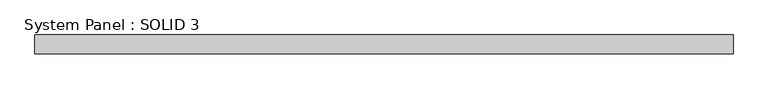
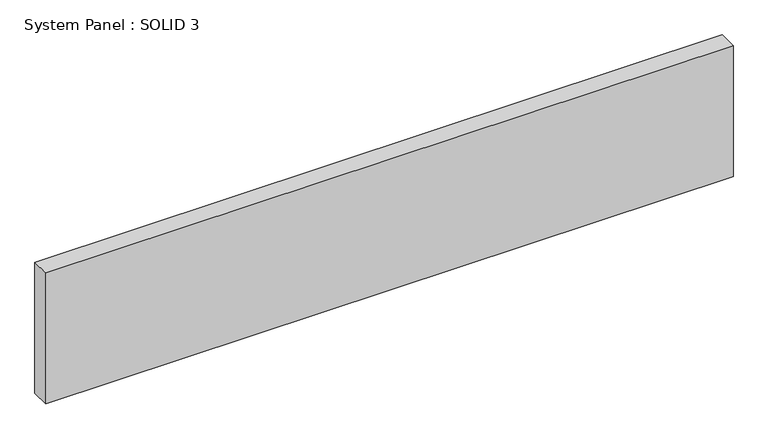
"""IFC4 building model written with IfcOpenShell, lengths in millimetres: plate geometry, System Panel : SOLID 3."""

import ifcopenshell
import ifcopenshell.guid

model = None  # the IFC model being written
_history = None  # IfcOwnerHistory: only IFC2X3 demands one
_inside = {}  # id of a spatial element -> (the spatial element, [elements in it])
_under = {}  # id of a project, library or spatial element -> (it, [spatial elements below it])
_declared = {}  # id of a project -> (the project, [libraries it declares])
_typed = {}  # id of a type object -> (the type object, [elements of that type])
_made_of = {}  # id of a material, layer set ... -> (it, [elements and type objects made of it])


def new_model(schema):
    """Start an empty IFC model of exactly this schema.

    Asked for "IFC4X3", IfcOpenShell would pick the latest addendum, in which some entities
    have other attributes; the version numbers below select the first issue.
    IFC2X3 requires an IfcOwnerHistory on every rooted entity: one is made here for all.
    """
    global model, _history
    if schema == "IFC4X3":
        model = ifcopenshell.file(schema_version=(4, 3, 0, 0))
    else:
        model = ifcopenshell.file(schema=schema)
    _inside.clear()
    _under.clear()
    _declared.clear()
    _typed.clear()
    _made_of.clear()
    _history = None
    if model.schema == "IFC2X3":
        org = make("IfcOrganization", Name="unknown")
        user = make(
            "IfcPersonAndOrganization",
            ThePerson=make("IfcPerson", FamilyName="unknown"),
            TheOrganization=org,
        )
        app = make(
            "IfcApplication",
            ApplicationDeveloper=org,
            Version="unknown",
            ApplicationFullName="unknown",
            ApplicationIdentifier="unknown",
        )
        _history = make(
            "IfcOwnerHistory",
            OwningUser=user,
            OwningApplication=app,
            ChangeAction="ADDED",
            CreationDate=0,
        )
    return model


def make(cls, **values):
    """One entity of the class cls with the attributes given. An attribute that is None is left unset."""
    return model.create_entity(
        cls, **{name: value for name, value in values.items() if value is not None}
    )


def rooted(cls, **values):
    """An entity with a GlobalId (a new one), such as an element, a storey or a relation."""
    return make(cls, GlobalId=ifcopenshell.guid.new(), OwnerHistory=_history, **values)


def si_unit(unit_type, name, prefix=None):
    """IfcSIUnit, for example si_unit("LENGTHUNIT", "METRE", prefix="MILLI")."""
    return make("IfcSIUnit", UnitType=unit_type, Prefix=prefix, Name=name)


def assignment(units):
    """IfcUnitAssignment: the units of a project."""
    return None if units is None else make("IfcUnitAssignment", Units=units)


def point(xyz):
    """IfcCartesianPoint."""
    return None if xyz is None else make("IfcCartesianPoint", Coordinates=xyz)


def direction(xyz):
    """IfcDirection."""
    return None if xyz is None else make("IfcDirection", DirectionRatios=xyz)


def frame(location, z_axis=None, x_axis=None):
    """IfcAxis2Placement3D, a coordinate frame: its origin and axes. An axis left out is left unset."""
    return make(
        "IfcAxis2Placement3D",
        Location=point(location),
        Axis=direction(z_axis),
        RefDirection=direction(x_axis),
    )


def origin():
    """The frame at (0, 0, 0) with its axes left unset."""
    return frame((0.0, 0.0, 0.0))


def origin_with_axes():
    """The frame at (0, 0, 0) with the z axis (0, 0, 1) and the x axis (1, 0, 0) written out."""
    return frame((0.0, 0.0, 0.0), z_axis=(0.0, 0.0, 1.0), x_axis=(1.0, 0.0, 0.0))


def place(relative_to, where):
    """IfcLocalPlacement: puts the frame where relative to a parent placement (None: the world)."""
    return make(
        "IfcLocalPlacement", PlacementRelTo=relative_to, RelativePlacement=where
    )


def context(
    kind, dimensions, precision=None, world=None, true_north=None, identifier=None
):
    """IfcGeometricRepresentationContext, for example the 3D "Model" context."""
    return make(
        "IfcGeometricRepresentationContext",
        ContextIdentifier=identifier,
        ContextType=kind,
        CoordinateSpaceDimension=dimensions,
        Precision=precision,
        WorldCoordinateSystem=world,
        TrueNorth=true_north,
    )


def project(units=None, contexts=None):
    """IfcProject with its units and contexts."""
    return rooted(
        "IfcProject",
        Name="project",
        RepresentationContexts=contexts,
        UnitsInContext=assignment(units),
    )


def spatial(cls, under=None, at=None, **own):
    """A site, building, storey or space (cls), placed at a placement, below another one or the project."""
    s = rooted(cls, ObjectPlacement=at, **own)
    if under is not None:
        _under.setdefault(under.id(), (under, []))[1].append(s)
    return s


def polyline(points):
    """IfcPolyline through the points."""
    return make("IfcPolyline", Points=[point(p) for p in points])


def outline(outer, holes=None, kind="AREA"):
    """IfcArbitraryClosedProfileDef: a profile drawn as a closed curve; with holes, ...WithVoids."""
    if holes is None:
        return make("IfcArbitraryClosedProfileDef", ProfileType=kind, OuterCurve=outer)
    return make(
        "IfcArbitraryProfileDefWithVoids",
        ProfileType=kind,
        OuterCurve=outer,
        InnerCurves=holes,
    )


def extrude(swept, where, along, depth):
    """IfcExtrudedAreaSolid: the profile swept, set in the frame where, extruded along a direction by depth."""
    return make(
        "IfcExtrudedAreaSolid",
        SweptArea=swept,
        Position=where,
        ExtrudedDirection=direction(along),
        Depth=depth,
    )


def shape(context_of_items, identifier, shape_type, items):
    """IfcShapeRepresentation: the items that make up one representation, for example the "Body"."""
    return make(
        "IfcShapeRepresentation",
        ContextOfItems=context_of_items,
        RepresentationIdentifier=identifier,
        RepresentationType=shape_type,
        Items=items,
    )


def source(mapping_origin, context_of_items, identifier, shape_type, items):
    """IfcRepresentationMap: a shape defined once, which mapped items show again and again."""
    return make(
        "IfcRepresentationMap",
        MappingOrigin=mapping_origin,
        MappedRepresentation=shape(context_of_items, identifier, shape_type, items),
    )


def transform(
    local_origin,
    x_axis=None,
    y_axis=None,
    z_axis=None,
    scale=None,
    scale2=None,
    scale3=None,
    uniform=True,
):
    """IfcCartesianTransformationOperator3D, or its non-uniform kind. x_axis, y_axis, z_axis: its Axis1, 2, 3."""
    if uniform:
        return make(
            "IfcCartesianTransformationOperator3D",
            Axis1=direction(x_axis),
            Axis2=direction(y_axis),
            LocalOrigin=point(local_origin),
            Scale=scale,
            Axis3=direction(z_axis),
        )
    return make(
        "IfcCartesianTransformationOperator3DnonUniform",
        Axis1=direction(x_axis),
        Axis2=direction(y_axis),
        LocalOrigin=point(local_origin),
        Scale=scale,
        Axis3=direction(z_axis),
        Scale2=scale2,
        Scale3=scale3,
    )


def mapped(mapping_source, mapping_target):
    """IfcMappedItem: shows the shape of a source again, moved by a transform."""
    return make(
        "IfcMappedItem", MappingSource=mapping_source, MappingTarget=mapping_target
    )


def made_of(thing, what):
    """Note that an element or type object is made of a material, layer set ...; save() writes the relation."""
    if what is not None:
        _made_of.setdefault(what.id(), (what, []))[1].append(thing)
    return thing


def element(
    cls,
    number,
    at=None,
    inside=None,
    cuts=None,
    type_object=None,
    material=None,
    context=None,
    identifier="Body",
    shape_type=None,
    held_by="IfcProductDefinitionShape",
    body=None,
    shapes=None,
    **own,
):
    """One element of the class cls, such as IfcWall. Its Tag is "e" and its number.

    at: its placement. inside: the storey or other place that contains it. cuts: it is an
    opening in that element (IfcRelVoidsElement). A single representation is given by context,
    identifier, shape_type and body (its items); several are given by shapes. held_by: the class
    of the entity that holds the representations. save() writes the other relations.
    """
    e = rooted(cls, Tag="e%d" % number, ObjectPlacement=at, **own)
    if body is not None:
        shapes = [shape(context, identifier, shape_type, body)]
    if shapes is not None:
        e.Representation = make(held_by, Representations=shapes)
    if inside is not None:
        _inside.setdefault(inside.id(), (inside, []))[1].append(e)
    if cuts is not None:
        rooted(
            "IfcRelVoidsElement", RelatingBuildingElement=cuts, RelatedOpeningElement=e
        )
    if type_object is not None:
        _typed.setdefault(type_object.id(), (type_object, []))[1].append(e)
    return made_of(e, material)


def aggregate(whole, parts):
    """IfcRelAggregates: a whole, such as a stair, and the parts it consists of."""
    return rooted("IfcRelAggregates", RelatingObject=whole, RelatedObjects=parts)


def save(model, path):
    """Write the relations noted so far, then the file.

    IfcRelAggregates (storeys below a building ...), IfcRelContainedInSpatialStructure (elements
    in a storey), IfcRelDefinesByType, IfcRelAssociatesMaterial and IfcRelDeclares: one each for
    every whole, place, type object, material and project.
    """
    for whole, parts in _under.values():
        aggregate(whole, parts)
    for where, things in _inside.values():
        rooted(
            "IfcRelContainedInSpatialStructure",
            RelatedElements=things,
            RelatingStructure=where,
        )
    for kind, things in _typed.values():
        rooted("IfcRelDefinesByType", RelatedObjects=things, RelatingType=kind)
    for what, things in _made_of.values():
        rooted("IfcRelAssociatesMaterial", RelatedObjects=things, RelatingMaterial=what)
    for by, libraries in _declared.values():
        rooted("IfcRelDeclares", RelatingContext=by, RelatedDefinitions=libraries)
    model.write(path)


def system_panel_solid_3_b479f994(model_context):
    return source(origin(), model_context, "Body", "SweptSolid", [
        extrude(outline(polyline([(1465.0, 80.0), (-1465.0, 80.0), (-1465.0, 160.0), (1465.0, 160.0), (1465.0, 80.0)])), origin_with_axes(), (0.0, 0.0, 1.0), 591.0),
    ])


if __name__ == "__main__":
    model = new_model("IFC4")
    model_context = context("Model", 3, world=origin())
    ifc_project = project(units=[si_unit("LENGTHUNIT", "METRE", prefix="MILLI")], contexts=[model_context])
    site = spatial("IfcSite", under=ifc_project)
    building = spatial("IfcBuilding", under=site)
    placement = place(None, origin())
    system_panel_solid_3_shape = system_panel_solid_3_b479f994(model_context)
    element("IfcPlate", 1, ObjectType="System Panel : SOLID 3", at=placement, inside=building, context=model_context, shape_type="MappedRepresentation", body=[
        mapped(system_panel_solid_3_shape, transform((0.0, 0.0, 0.0), x_axis=(1.0, 0.0, 0.0), y_axis=(0.0, 1.0, 0.0), z_axis=(0.0, 0.0, 1.0))),
    ])
    save(model, "model.ifc")
